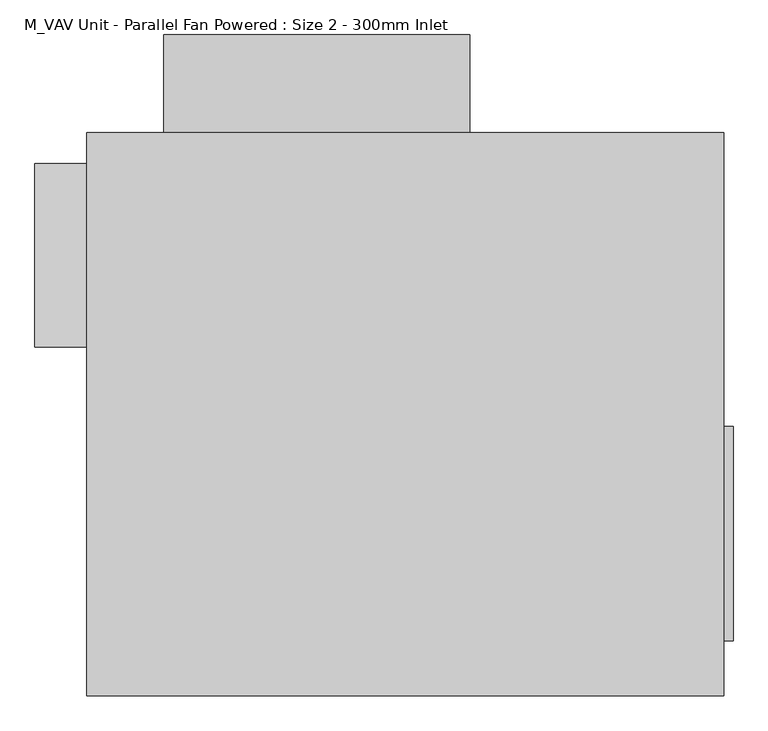
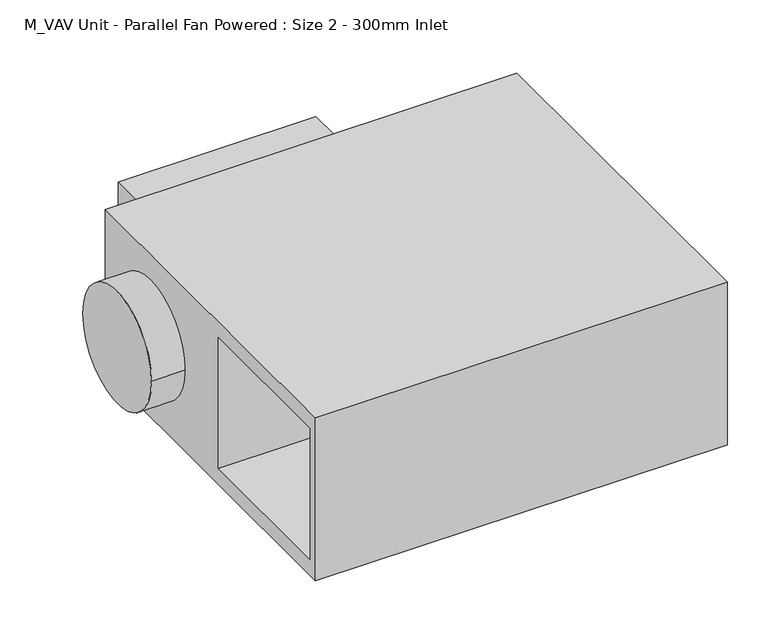
"""IFC4 building model written with IfcOpenShell, lengths in millimetres: proxy geometry, M_VAV Unit - Parallel Fan Powered : Size 2 - 300mm Inlet."""

import ifcopenshell
import ifcopenshell.guid

model = None  # the IFC model being written
_history = None  # IfcOwnerHistory: only IFC2X3 demands one
_inside = {}  # id of a spatial element -> (the spatial element, [elements in it])
_under = {}  # id of a project, library or spatial element -> (it, [spatial elements below it])
_declared = {}  # id of a project -> (the project, [libraries it declares])
_typed = {}  # id of a type object -> (the type object, [elements of that type])
_made_of = {}  # id of a material, layer set ... -> (it, [elements and type objects made of it])


def new_model(schema):
    """Start an empty IFC model of exactly this schema.

    Asked for "IFC4X3", IfcOpenShell would pick the latest addendum, in which some entities
    have other attributes; the version numbers below select the first issue.
    IFC2X3 requires an IfcOwnerHistory on every rooted entity: one is made here for all.
    """
    global model, _history
    if schema == "IFC4X3":
        model = ifcopenshell.file(schema_version=(4, 3, 0, 0))
    else:
        model = ifcopenshell.file(schema=schema)
    _inside.clear()
    _under.clear()
    _declared.clear()
    _typed.clear()
    _made_of.clear()
    _history = None
    if model.schema == "IFC2X3":
        org = make("IfcOrganization", Name="unknown")
        user = make(
            "IfcPersonAndOrganization",
            ThePerson=make("IfcPerson", FamilyName="unknown"),
            TheOrganization=org,
        )
        app = make(
            "IfcApplication",
            ApplicationDeveloper=org,
            Version="unknown",
            ApplicationFullName="unknown",
            ApplicationIdentifier="unknown",
        )
        _history = make(
            "IfcOwnerHistory",
            OwningUser=user,
            OwningApplication=app,
            ChangeAction="ADDED",
            CreationDate=0,
        )
    return model


def make(cls, **values):
    """One entity of the class cls with the attributes given. An attribute that is None is left unset."""
    return model.create_entity(
        cls, **{name: value for name, value in values.items() if value is not None}
    )


def rooted(cls, **values):
    """An entity with a GlobalId (a new one), such as an element, a storey or a relation."""
    return make(cls, GlobalId=ifcopenshell.guid.new(), OwnerHistory=_history, **values)


def si_unit(unit_type, name, prefix=None):
    """IfcSIUnit, for example si_unit("LENGTHUNIT", "METRE", prefix="MILLI")."""
    return make("IfcSIUnit", UnitType=unit_type, Prefix=prefix, Name=name)


def assignment(units):
    """IfcUnitAssignment: the units of a project."""
    return None if units is None else make("IfcUnitAssignment", Units=units)


def point(xyz):
    """IfcCartesianPoint."""
    return None if xyz is None else make("IfcCartesianPoint", Coordinates=xyz)


def direction(xyz):
    """IfcDirection."""
    return None if xyz is None else make("IfcDirection", DirectionRatios=xyz)


def frame(location, z_axis=None, x_axis=None):
    """IfcAxis2Placement3D, a coordinate frame: its origin and axes. An axis left out is left unset."""
    return make(
        "IfcAxis2Placement3D",
        Location=point(location),
        Axis=direction(z_axis),
        RefDirection=direction(x_axis),
    )


def frame_2d(location, x_axis=None):
    """IfcAxis2Placement2D, a coordinate frame in the plane: its origin and x axis."""
    return make(
        "IfcAxis2Placement2D", Location=point(location), RefDirection=direction(x_axis)
    )


def origin():
    """The frame at (0, 0, 0) with its axes left unset."""
    return frame((0.0, 0.0, 0.0))


def place(relative_to, where):
    """IfcLocalPlacement: puts the frame where relative to a parent placement (None: the world)."""
    return make(
        "IfcLocalPlacement", PlacementRelTo=relative_to, RelativePlacement=where
    )


def context(
    kind, dimensions, precision=None, world=None, true_north=None, identifier=None
):
    """IfcGeometricRepresentationContext, for example the 3D "Model" context."""
    return make(
        "IfcGeometricRepresentationContext",
        ContextIdentifier=identifier,
        ContextType=kind,
        CoordinateSpaceDimension=dimensions,
        Precision=precision,
        WorldCoordinateSystem=world,
        TrueNorth=true_north,
    )


def project(units=None, contexts=None):
    """IfcProject with its units and contexts."""
    return rooted(
        "IfcProject",
        Name="project",
        RepresentationContexts=contexts,
        UnitsInContext=assignment(units),
    )


def spatial(cls, under=None, at=None, **own):
    """A site, building, storey or space (cls), placed at a placement, below another one or the project."""
    s = rooted(cls, ObjectPlacement=at, **own)
    if under is not None:
        _under.setdefault(under.id(), (under, []))[1].append(s)
    return s


def polyline(points):
    """IfcPolyline through the points."""
    return make("IfcPolyline", Points=[point(p) for p in points])


def circle_curve(where, radius):
    """IfcCircle in the frame where."""
    return make("IfcCircle", Position=where, Radius=radius)


def trimmed(basis, trim1, trim2, sense, master):
    """IfcTrimmedCurve: the piece of a basis curve between two trims."""
    return make(
        "IfcTrimmedCurve",
        BasisCurve=basis,
        Trim1=trim1,
        Trim2=trim2,
        SenseAgreement=sense,
        MasterRepresentation=master,
    )


def segment(curve, same_sense, transition):
    """IfcCompositeCurveSegment."""
    return make(
        "IfcCompositeCurveSegment",
        Transition=transition,
        SameSense=same_sense,
        ParentCurve=curve,
    )


def composite_curve(segments, self_intersect=None):
    """IfcCompositeCurve: segments joined end to end."""
    return make("IfcCompositeCurve", Segments=segments, SelfIntersect=self_intersect)


def outline(outer, holes=None, kind="AREA"):
    """IfcArbitraryClosedProfileDef: a profile drawn as a closed curve; with holes, ...WithVoids."""
    if holes is None:
        return make("IfcArbitraryClosedProfileDef", ProfileType=kind, OuterCurve=outer)
    return make(
        "IfcArbitraryProfileDefWithVoids",
        ProfileType=kind,
        OuterCurve=outer,
        InnerCurves=holes,
    )


def extrude(swept, where, along, depth):
    """IfcExtrudedAreaSolid: the profile swept, set in the frame where, extruded along a direction by depth."""
    return make(
        "IfcExtrudedAreaSolid",
        SweptArea=swept,
        Position=where,
        ExtrudedDirection=direction(along),
        Depth=depth,
    )


def faces_of(points, faces, orient=None, outer=None):
    """IfcFace entities. A face is a list of loops; a loop is a list of indices into points, from 0.

    orient and outer hold one flag for each loop. By default every Orientation is true, the
    first loop of a face is its IfcFaceOuterBound and the others are IfcFaceBound.
    """
    made = []
    for i, loops in enumerate(faces):
        bounds = []
        for j, loop in enumerate(loops):
            is_outer = j == 0 if outer is None else outer[i][j]
            bounds.append(
                make(
                    "IfcFaceOuterBound" if is_outer else "IfcFaceBound",
                    Bound=make("IfcPolyLoop", Polygon=[points[k] for k in loop]),
                    Orientation=True if orient is None else orient[i][j],
                )
            )
        made.append(make("IfcFace", Bounds=bounds))
    return made


def faceted_brep(points, faces, orient=None, outer=None, voids=None):
    """IfcFacetedBrep: a solid bounded by flat faces; with voids (closed shells), ...WithVoids."""
    shared = [point(p) for p in points]
    hull = make("IfcClosedShell", CfsFaces=faces_of(shared, faces, orient, outer))
    if voids is None:
        return make("IfcFacetedBrep", Outer=hull)
    return make(
        "IfcFacetedBrepWithVoids",
        Outer=hull,
        Voids=[
            make(cls, CfsFaces=faces_of(shared, fs, o, b)) for cls, fs, o, b in voids
        ],
    )


def shape(context_of_items, identifier, shape_type, items):
    """IfcShapeRepresentation: the items that make up one representation, for example the "Body"."""
    return make(
        "IfcShapeRepresentation",
        ContextOfItems=context_of_items,
        RepresentationIdentifier=identifier,
        RepresentationType=shape_type,
        Items=items,
    )


def source(mapping_origin, context_of_items, identifier, shape_type, items):
    """IfcRepresentationMap: a shape defined once, which mapped items show again and again."""
    return make(
        "IfcRepresentationMap",
        MappingOrigin=mapping_origin,
        MappedRepresentation=shape(context_of_items, identifier, shape_type, items),
    )


def transform(
    local_origin,
    x_axis=None,
    y_axis=None,
    z_axis=None,
    scale=None,
    scale2=None,
    scale3=None,
    uniform=True,
):
    """IfcCartesianTransformationOperator3D, or its non-uniform kind. x_axis, y_axis, z_axis: its Axis1, 2, 3."""
    if uniform:
        return make(
            "IfcCartesianTransformationOperator3D",
            Axis1=direction(x_axis),
            Axis2=direction(y_axis),
            LocalOrigin=point(local_origin),
            Scale=scale,
            Axis3=direction(z_axis),
        )
    return make(
        "IfcCartesianTransformationOperator3DnonUniform",
        Axis1=direction(x_axis),
        Axis2=direction(y_axis),
        LocalOrigin=point(local_origin),
        Scale=scale,
        Axis3=direction(z_axis),
        Scale2=scale2,
        Scale3=scale3,
    )


def mapped(mapping_source, mapping_target):
    """IfcMappedItem: shows the shape of a source again, moved by a transform."""
    return make(
        "IfcMappedItem", MappingSource=mapping_source, MappingTarget=mapping_target
    )


def made_of(thing, what):
    """Note that an element or type object is made of a material, layer set ...; save() writes the relation."""
    if what is not None:
        _made_of.setdefault(what.id(), (what, []))[1].append(thing)
    return thing


def element(
    cls,
    number,
    at=None,
    inside=None,
    cuts=None,
    type_object=None,
    material=None,
    context=None,
    identifier="Body",
    shape_type=None,
    held_by="IfcProductDefinitionShape",
    body=None,
    shapes=None,
    **own,
):
    """One element of the class cls, such as IfcWall. Its Tag is "e" and its number.

    at: its placement. inside: the storey or other place that contains it. cuts: it is an
    opening in that element (IfcRelVoidsElement). A single representation is given by context,
    identifier, shape_type and body (its items); several are given by shapes. held_by: the class
    of the entity that holds the representations. save() writes the other relations.
    """
    e = rooted(cls, Tag="e%d" % number, ObjectPlacement=at, **own)
    if body is not None:
        shapes = [shape(context, identifier, shape_type, body)]
    if shapes is not None:
        e.Representation = make(held_by, Representations=shapes)
    if inside is not None:
        _inside.setdefault(inside.id(), (inside, []))[1].append(e)
    if cuts is not None:
        rooted(
            "IfcRelVoidsElement", RelatingBuildingElement=cuts, RelatedOpeningElement=e
        )
    if type_object is not None:
        _typed.setdefault(type_object.id(), (type_object, []))[1].append(e)
    return made_of(e, material)


def aggregate(whole, parts):
    """IfcRelAggregates: a whole, such as a stair, and the parts it consists of."""
    return rooted("IfcRelAggregates", RelatingObject=whole, RelatedObjects=parts)


def save(model, path):
    """Write the relations noted so far, then the file.

    IfcRelAggregates (storeys below a building ...), IfcRelContainedInSpatialStructure (elements
    in a storey), IfcRelDefinesByType, IfcRelAssociatesMaterial and IfcRelDeclares: one each for
    every whole, place, type object, material and project.
    """
    for whole, parts in _under.values():
        aggregate(whole, parts)
    for where, things in _inside.values():
        rooted(
            "IfcRelContainedInSpatialStructure",
            RelatedElements=things,
            RelatingStructure=where,
        )
    for kind, things in _typed.values():
        rooted("IfcRelDefinesByType", RelatedObjects=things, RelatingType=kind)
    for what, things in _made_of.values():
        rooted("IfcRelAssociatesMaterial", RelatedObjects=things, RelatingMaterial=what)
    for by, libraries in _declared.values():
        rooted("IfcRelDeclares", RelatingContext=by, RelatedDefinitions=libraries)
    model.write(path)


def m_vav_unit_parallel_fan_powered_size_2_300mm_inlet_59a1b0b3(model_context):
    return source(origin(), model_context, "Body", "SolidModel", [
        extrude(outline(polyline([(535.0, -20.0), (535.0, -370.0), (519.1125, -370.0), (519.1125, -20.0), (535.0, -20.0)])), frame((0.0, 0.0, -140.0), z_axis=(0.0, 0.0, 1.0), x_axis=(1.0, 0.0, 0.0)), (0.0, 0.0, 1.0), 280.0),
        extrude(outline(polyline([(105.0, 460.0), (-395.0, 460.0), (-395.0, 620.0), (105.0, 620.0), (105.0, 460.0)])), frame((0.0, 0.0, -150.0), z_axis=(0.0, 0.0, 1.0), x_axis=(1.0, 0.0, 0.0)), (0.0, 0.0, 1.0), 300.0),
        extrude(outline(composite_curve([segment(trimmed(circle_curve(frame_2d((260.0, 0.0)), 150.0), [point((110.0, 0.0))], [point((410.0, 0.0))], False, "CARTESIAN"), True, "CONTINUOUS"), segment(trimmed(circle_curve(frame_2d((260.0, 0.0)), 150.0), [point((410.0, 0.0))], [point((110.0, 0.0))], False, "CARTESIAN"), True, "CONTINUOUS")], self_intersect=False)), frame((-605.0, 0.0, 0.0), z_axis=(1.0, 0.0, 0.0), x_axis=(0.0, 1.0, 0.0)), (0.0, 0.0, 1.0), 85.0),
        faceted_brep([(520.0, 460.0, 217.5), (-520.0, 460.0, 217.5), (-520.0, -460.0, 217.5), (520.0, -460.0, 217.5), (520.0, 460.0, -217.5), (520.0, -460.0, -217.5), (-520.0, -460.0, -217.5), (-520.0, 460.0, -217.5), (-520.0, -435.0, 175.0), (-520.0, -435.0, -175.0), (-520.0, -35.0, -175.0), (-520.0, -35.0, 175.0), (0.0, -435.0, 175.0), (0.0, -35.0, 175.0), (0.0, -35.0, -175.0), (0.0, -435.0, -175.0)], [[[0, 1, 2, 3]], [[4, 5, 6, 7]], [[1, 0, 4, 7]], [[2, 1, 7, 6], [8, 9, 10, 11]], [[3, 2, 6, 5]], [[0, 3, 5, 4]], [[12, 13, 14, 15]], [[12, 15, 9, 8]], [[15, 14, 10, 9]], [[14, 13, 11, 10]], [[13, 12, 8, 11]]]),
    ])


if __name__ == "__main__":
    model = new_model("IFC4")
    model_context = context("Model", 3, world=origin())
    ifc_project = project(units=[si_unit("LENGTHUNIT", "METRE", prefix="MILLI")], contexts=[model_context])
    site = spatial("IfcSite", under=ifc_project)
    building = spatial("IfcBuilding", under=site)
    placement = place(None, origin())
    m_vav_unit_parallel_fan_powered_size_2_300mm_inlet_shape = m_vav_unit_parallel_fan_powered_size_2_300mm_inlet_59a1b0b3(model_context)
    element("IfcBuildingElementProxy", 1, Name="M_VAV Unit - Parallel Fan Powered : Size 2 - 300mm Inlet", ObjectType="M_VAV Unit - Parallel Fan Powered : Size 2 - 300mm Inlet", at=placement, inside=building, context=model_context, shape_type="MappedRepresentation", body=[
        mapped(m_vav_unit_parallel_fan_powered_size_2_300mm_inlet_shape, transform((0.0, 0.0, 0.0), x_axis=(1.0, 0.0, 0.0), y_axis=(0.0, 1.0, 0.0), z_axis=(0.0, 0.0, 1.0))),
    ])
    save(model, "model.ifc")
